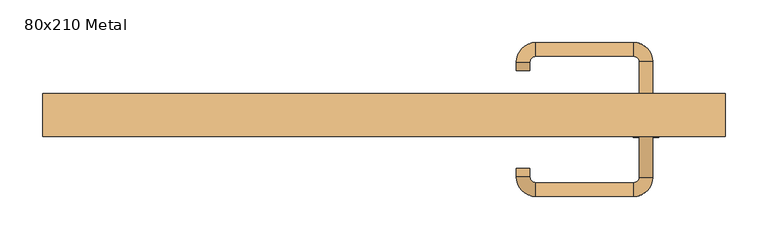
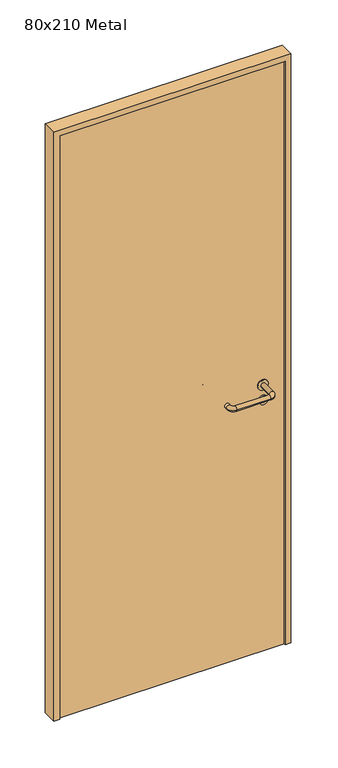
"""IFC4 building model written with IfcOpenShell, lengths in millimetres: door geometry, 80x210 Metal."""

from ifc_helpers import new_model, si_unit, point, frame, frame_2d, origin, origin_with_axes, place, context, project, spatial, polyline, circle_curve, ellipse_curve, trimmed, segment, composite_curve, outline, extrude, source, transform, mapped, element, save
from ifc_brep_helpers import plane_surface, cylinder_surface, revolved_surface, advanced_brep


def door_80x210_metal_3104e8d9(model_context):
    return source(origin(), model_context, "Body", "SolidModel", [
        extrude(outline(composite_curve([segment(trimmed(circle_curve(frame_2d((897.3605726, 307.0)), 15.0), [point((897.3605726, 322.0))], [point((897.3605726, 292.0))], False, "CARTESIAN"), True, "CONTINUOUS"), segment(trimmed(circle_curve(frame_2d((897.3605726, 307.0)), 15.0), [point((897.3605726, 292.0))], [point((897.3605726, 322.0))], False, "CARTESIAN"), True, "CONTINUOUS")], self_intersect=False), holes=[composite_curve([segment(trimmed(circle_curve(frame_2d((892.5833211, 306.9398032)), 2.0), [point((892.5833211, 308.9398032))], [point((892.5833211, 304.9398032))], True, "CARTESIAN"), True, "CONTINUOUS"), segment(polyline([(892.5833211, 304.9398032), (902.5833211, 304.9398032)]), True, "CONTINUOUS"), segment(trimmed(circle_curve(frame_2d((902.5833211, 306.9398032)), 2.0), [point((902.5833211, 304.9398032))], [point((902.5833211, 308.9398032))], True, "CARTESIAN"), True, "CONTINUOUS"), segment(polyline([(902.5833211, 308.9398032), (892.5833211, 308.9398032)]), True, "CONTINUOUS")], self_intersect=False)]), frame((0.0, -15.0, 0.0), z_axis=(0.0, 1.0, 0.0), x_axis=(0.0, 0.0, 1.0)), (0.0, 0.0, 1.0), 6.35),
        extrude(outline(composite_curve([segment(trimmed(circle_curve(frame_2d((950.0, 307.0)), 17.526), [point((950.0, 324.526))], [point((950.0, 289.474))], False, "CARTESIAN"), True, "CONTINUOUS"), segment(trimmed(circle_curve(frame_2d((950.0, 307.0)), 17.526), [point((950.0, 289.474))], [point((950.0, 324.526))], False, "CARTESIAN"), True, "CONTINUOUS")], self_intersect=False)), frame((0.0, -15.0, 0.0), z_axis=(0.0, 1.0, 0.0), x_axis=(0.0, 0.0, 1.0)), (0.0, 0.0, 1.0), 3.175),
        advanced_brep(
        [(315.0, -15.0, 950.0), (299.0, -15.0, 950.0), (315.0, 38.0, 950.0), (299.0, 38.0, 950.0), (292.8578644, 44.1421356, 950.0), (292.8578644, 60.1421356, 950.0), (177.8578644, 60.1421356, 950.0), (177.8578644, 44.1421356, 950.0), (171.008622, 37.2928932, 950.0), (155.008622, 37.2928932, 950.0), (155.008622, 27.2928932, 950.0), (171.008622, 27.2928932, 950.0)],
        [
            (0, 1, circle_curve(frame((307.0, -15.0, 950.0), z_axis=(0.0, -1.0, 0.0), x_axis=(-1.0, 0.0, 0.0)), 8.0)),
            (1, 0, circle_curve(frame((307.0, -15.0, 950.0), z_axis=(0.0, -1.0, 0.0), x_axis=(-1.0, 0.0, 0.0)), 8.0)),
            (0, 2),
            (2, 3, circle_curve(frame((307.0, 38.0, 950.0), z_axis=(0.0, -1.0, 0.0), x_axis=(-1.0, 0.0, 0.0)), 8.0)),
            (3, 1),
            (3, 2, circle_curve(frame((307.0, 38.0, 950.0), z_axis=(0.0, -1.0, 0.0), x_axis=(-1.0, 0.0, 0.0)), 8.0)),
            (4, 3, circle_curve(frame((292.8578644, 38.0, 950.0), z_axis=(0.0, 0.0, -1.0), x_axis=(1.0, 0.0, 0.0)), 6.1421356)),
            (2, 5, circle_curve(frame((292.8578644, 38.0, 950.0), z_axis=(0.0, 0.0, 1.0), x_axis=(1.0, 0.0, 0.0)), 22.1421356)),
            (5, 4, circle_curve(frame((292.8578644, 52.1421356, 950.0), z_axis=(1.0, 0.0, 0.0), x_axis=(0.0, -1.0, 0.0)), 8.0)),
            (4, 5, circle_curve(frame((292.8578644, 52.1421356, 950.0), z_axis=(1.0, 0.0, 0.0), x_axis=(0.0, -1.0, 0.0)), 8.0)),
            (5, 6),
            (6, 7, circle_curve(frame((177.8578644, 52.1421356, 950.0), z_axis=(1.0, 0.0, 0.0), x_axis=(0.0, -1.0, 0.0)), 8.0)),
            (7, 4),
            (7, 6, circle_curve(frame((177.8578644, 52.1421356, 950.0), z_axis=(1.0, 0.0, 0.0), x_axis=(0.0, -1.0, 0.0)), 8.0)),
            (8, 7, circle_curve(frame((177.8578644, 37.2928932, 950.0), z_axis=(0.0, 0.0, -1.0), x_axis=(0.0, 1.0, 0.0)), 6.8492424)),
            (6, 9, circle_curve(frame((177.8578644, 37.2928932, 950.0), z_axis=(0.0, 0.0, 1.0), x_axis=(0.0, 1.0, 0.0)), 22.8492424)),
            (9, 8, circle_curve(frame((163.008622, 37.2928932, 950.0), z_axis=(0.0, 1.0, 0.0), x_axis=(1.0, 0.0, 0.0)), 8.0)),
            (8, 9, circle_curve(frame((163.008622, 37.2928932, 950.0), z_axis=(0.0, 1.0, 0.0), x_axis=(1.0, 0.0, 0.0)), 8.0)),
            (10, 11, circle_curve(frame((163.008622, 27.2928932, 950.0), z_axis=(0.0, -1.0, 0.0), x_axis=(1.0, 0.0, 0.0)), 8.0)),
            (11, 10, circle_curve(frame((163.008622, 27.2928932, 950.0), z_axis=(0.0, -1.0, 0.0), x_axis=(1.0, 0.0, 0.0)), 8.0)),
            (9, 10),
            (11, 8),
        ],
        [
            plane_surface(frame((307.0, -15.0, 0.0), z_axis=(0.0, -1.0, 0.0), x_axis=(0.0, 0.0, 1.0))),
            cylinder_surface(frame((307.0, -15.0, 950.0), z_axis=(0.0, -1.0, 0.0), x_axis=(-1.0, 0.0, 0.0)), 8.0),
            revolved_surface(trimmed(ellipse_curve(frame((307.0, 38.0, 950.0), z_axis=(0.0, -1.0, 0.0), x_axis=(-1.0, 0.0, 0.0)), 8.0, 8.0), [point((315.0, 38.0, 950.0))], [point((299.0, 38.0, 950.0))], True, "CARTESIAN"), (292.8578644, 38.0, 0.0), (0.0, 0.0, 1.0)),
            revolved_surface(trimmed(ellipse_curve(frame((307.0, 38.0, 950.0), z_axis=(0.0, -1.0, 0.0), x_axis=(-1.0, 0.0, 0.0)), 8.0, 8.0), [point((299.0, 38.0, 950.0))], [point((315.0, 38.0, 950.0))], True, "CARTESIAN"), (292.8578644, 38.0, 0.0), (0.0, 0.0, 1.0)),
            cylinder_surface(frame((292.8578644, 52.1421356, 950.0), z_axis=(1.0, 0.0, 0.0), x_axis=(0.0, -1.0, 0.0)), 8.0),
            revolved_surface(trimmed(ellipse_curve(frame((177.8578644, 52.1421356, 950.0), z_axis=(1.0, 0.0, 0.0), x_axis=(0.0, -1.0, 0.0)), 8.0, 8.0), [point((177.8578644, 60.1421356, 950.0))], [point((177.8578644, 44.1421356, 950.0))], True, "CARTESIAN"), (177.8578644, 37.2928932, 0.0), (0.0, 0.0, 1.0)),
            revolved_surface(trimmed(ellipse_curve(frame((177.8578644, 52.1421356, 950.0), z_axis=(1.0, 0.0, 0.0), x_axis=(0.0, -1.0, 0.0)), 8.0, 8.0), [point((177.8578644, 44.1421356, 950.0))], [point((177.8578644, 60.1421356, 950.0))], True, "CARTESIAN"), (177.8578644, 37.2928932, 0.0), (0.0, 0.0, 1.0)),
            plane_surface(frame((163.008622, 27.2928932, 0.0), z_axis=(0.0, -1.0, 0.0), x_axis=(0.0, 0.0, 1.0))),
            cylinder_surface(frame((163.008622, 37.2928932, 950.0), z_axis=(0.0, 1.0, 0.0), x_axis=(1.0, 0.0, 0.0)), 8.0),
        ],
        [
            (0, [[1, 2]]),
            (1, [[-1, 3, 4, 5]]),
            (1, [[-2, -5, 6, -3]]),
            (2, [[7, -4, 8, 9]]),
            (3, [[-8, -6, -7, 10]]),
            (4, [[-9, 11, 12, 13]]),
            (4, [[-10, -13, 14, -11]]),
            (5, [[15, -12, 16, 17]]),
            (6, [[-16, -14, -15, 18]]),
            (7, [[19, 20]]),
            (8, [[-17, 21, -20, 22]]),
            (8, [[-18, -22, -19, -21]]),
        ],
    ),
        extrude(outline(composite_curve([segment(trimmed(circle_curve(frame_2d((0.0, 15.0)), 15.0), [point((0.0, 30.0))], [point((0.0, 0.0))], False, "CARTESIAN"), True, "CONTINUOUS"), segment(trimmed(circle_curve(frame_2d((0.0, 15.0)), 15.0), [point((0.0, 0.0))], [point((0.0, 30.0))], False, "CARTESIAN"), True, "CONTINUOUS")], self_intersect=False), holes=[composite_curve([segment(trimmed(circle_curve(frame_2d((-4.7772515, 14.9398032)), 2.0), [point((-4.7772515, 16.9398032))], [point((-4.7772515, 12.9398032))], True, "CARTESIAN"), True, "CONTINUOUS"), segment(polyline([(-4.7772515, 12.9398032), (5.2227485, 12.9398032)]), True, "CONTINUOUS"), segment(trimmed(circle_curve(frame_2d((5.2227485, 14.9398032)), 2.0), [point((5.2227485, 12.9398032))], [point((5.2227485, 16.9398032))], True, "CARTESIAN"), True, "CONTINUOUS"), segment(polyline([(5.2227485, 16.9398032), (-4.7772515, 16.9398032)]), True, "CONTINUOUS")], self_intersect=False)]), frame((292.0, -51.35, 897.3605726), z_axis=(-1.8870575173328306e-12, 1.0, 0.0), x_axis=(0.0, 0.0, 1.0)), (0.0, 0.0, 1.0), 6.35),
        extrude(outline(composite_curve([segment(trimmed(circle_curve(frame_2d((0.0, 17.526)), 17.526), [point((0.0, 35.052))], [point((0.0, 0.0))], False, "CARTESIAN"), True, "CONTINUOUS"), segment(trimmed(circle_curve(frame_2d((0.0, 17.526)), 17.526), [point((0.0, 0.0))], [point((0.0, 35.052))], False, "CARTESIAN"), True, "CONTINUOUS")], self_intersect=False)), frame((289.474, -48.175, 950.0), z_axis=(-1.8870575173328306e-12, 1.0, 0.0), x_axis=(0.0, 0.0, 1.0)), (0.0, 0.0, 1.0), 3.175),
        advanced_brep(
        [(315.0, -45.0, 950.0), (299.0, -45.0, 950.0), (299.0, -98.0, 950.0), (315.0, -98.0, 950.0), (292.8578644, -104.1421356, 950.0), (292.8578644, -120.1421356, 950.0), (177.8578644, -104.1421356, 950.0), (177.8578644, -120.1421356, 950.0), (171.008622, -97.2928932, 950.0), (155.008622, -97.2928932, 950.0), (155.008622, -87.2928932, 950.0), (171.008622, -87.2928932, 950.0)],
        [
            (0, 1, circle_curve(frame((307.0, -45.0, 950.0), z_axis=(-1.888672253512351e-12, 1.0, 0.0), x_axis=(-1.0, -1.888672253512351e-12, 0.0)), 8.0)),
            (1, 0, circle_curve(frame((307.0, -45.0, 950.0), z_axis=(-1.888672253512351e-12, 1.0, 0.0), x_axis=(-1.0, -1.888672253512351e-12, 0.0)), 8.0)),
            (1, 2),
            (2, 3, circle_curve(frame((307.0, -98.0, 950.0), z_axis=(-1.888672253512351e-12, 1.0, 0.0), x_axis=(-1.0, -1.888672253512351e-12, 0.0)), 8.0)),
            (3, 0),
            (3, 2, circle_curve(frame((307.0, -98.0, 950.0), z_axis=(-1.888672253512351e-12, 1.0, 0.0), x_axis=(-1.0, -1.888672253512351e-12, 0.0)), 8.0)),
            (4, 5, circle_curve(frame((292.8578644, -112.1421356, 950.0), z_axis=(1.0, 1.913702061528922e-12, 0.0), x_axis=(-1.913702061528922e-12, 1.0, 0.0)), 8.0)),
            (5, 3, circle_curve(frame((292.8578644, -98.0, 950.0), z_axis=(0.0, 0.0, 1.0), x_axis=(1.0, 1.880717803715015e-12, 0.0)), 22.1421356)),
            (2, 4, circle_curve(frame((292.8578644, -98.0, 950.0), z_axis=(0.0, 0.0, -1.0), x_axis=(1.0, 1.880717803715015e-12, 0.0)), 6.1421356)),
            (5, 4, circle_curve(frame((292.8578644, -112.1421356, 950.0), z_axis=(1.0, 1.913702061528922e-12, 0.0), x_axis=(-1.913702061528922e-12, 1.0, 0.0)), 8.0)),
            (4, 6),
            (6, 7, circle_curve(frame((177.8578644, -112.1421356, 950.0), z_axis=(1.0, 1.913719828541269e-12, 0.0), x_axis=(-1.913719828541269e-12, 1.0, 0.0)), 8.0)),
            (7, 5),
            (7, 6, circle_curve(frame((177.8578644, -112.1421356, 950.0), z_axis=(1.0, 1.913719828541269e-12, 0.0), x_axis=(-1.913719828541269e-12, 1.0, 0.0)), 8.0)),
            (8, 9, circle_curve(frame((163.008622, -97.2928932, 950.0), z_axis=(1.8888942981172756e-12, -1.0, 0.0), x_axis=(1.0, 1.8888942981172756e-12, 0.0)), 8.0)),
            (9, 7, circle_curve(frame((177.8578644, -97.2928932, 950.0), z_axis=(0.0, 0.0, 1.0), x_axis=(1.9120873253494017e-12, -1.0, 0.0)), 22.8492424)),
            (6, 8, circle_curve(frame((177.8578644, -97.2928932, 950.0), z_axis=(0.0, 0.0, -1.0), x_axis=(1.9120873253494017e-12, -1.0, 0.0)), 6.8492424)),
            (9, 8, circle_curve(frame((163.008622, -97.2928932, 950.0), z_axis=(1.890448610351751e-12, -1.0, 0.0), x_axis=(1.0, 1.890448610351751e-12, 0.0)), 8.0)),
            (10, 11, circle_curve(frame((163.008622, -87.2928932, 950.0), z_axis=(-1.8903642334018795e-12, 1.0, 0.0), x_axis=(1.0, 1.8903642334018795e-12, 0.0)), 8.0)),
            (11, 10, circle_curve(frame((163.008622, -87.2928932, 950.0), z_axis=(-1.8903642334018795e-12, 1.0, 0.0), x_axis=(1.0, 1.8903642334018795e-12, 0.0)), 8.0)),
            (8, 11),
            (10, 9),
        ],
        [
            plane_surface(frame((307.0, -45.0, 0.0), z_axis=(-1.8870575173328306e-12, 1.0, 0.0), x_axis=(0.0, 0.0, 1.0))),
            cylinder_surface(frame((307.0, -45.0, 950.0), z_axis=(-1.888672253512351e-12, 1.0, 0.0), x_axis=(-1.0, -1.888672253512351e-12, 0.0)), 8.0),
            revolved_surface(trimmed(ellipse_curve(frame((307.0, -98.0, 950.0), z_axis=(1.8823325398945356e-12, -1.0, 0.0), x_axis=(-1.0, -1.8823325398945356e-12, 0.0)), 8.0, 8.0), [point((315.0, -98.0, 950.0))], [point((299.0, -98.0, 950.0))], True, "CARTESIAN"), (292.8578644, -98.0, 0.0), (0.0, 0.0, 1.0)),
            revolved_surface(trimmed(ellipse_curve(frame((307.0, -98.0, 950.0), z_axis=(1.8823325398945356e-12, -1.0, 0.0), x_axis=(-1.0, -1.8823325398945356e-12, 0.0)), 8.0, 8.0), [point((299.0, -98.0, 950.0))], [point((315.0, -98.0, 950.0))], True, "CARTESIAN"), (292.8578644, -98.0, 0.0), (0.0, 0.0, 1.0)),
            cylinder_surface(frame((292.8578644, -112.1421356, 950.0), z_axis=(1.0, 1.913719828541269e-12, 0.0), x_axis=(-1.913719828541269e-12, 1.0, 0.0)), 8.0),
            revolved_surface(trimmed(ellipse_curve(frame((177.8578644, -112.1421356, 950.0), z_axis=(-1.0, -1.913702061528922e-12, 0.0), x_axis=(-1.913702061528922e-12, 1.0, 0.0)), 8.0, 8.0), [point((177.8578644, -120.1421356, 950.0))], [point((177.8578644, -104.1421356, 950.0))], True, "CARTESIAN"), (177.8578644, -97.2928932, 0.0), (0.0, 0.0, 1.0)),
            revolved_surface(trimmed(ellipse_curve(frame((177.8578644, -112.1421356, 950.0), z_axis=(-1.0, -1.913702061528922e-12, 0.0), x_axis=(-1.913702061528922e-12, 1.0, 0.0)), 8.0, 8.0), [point((177.8578644, -104.1421356, 950.0))], [point((177.8578644, -120.1421356, 950.0))], True, "CARTESIAN"), (177.8578644, -97.2928932, 0.0), (0.0, 0.0, 1.0)),
            plane_surface(frame((163.008622, -87.2928932, 0.0), z_axis=(-1.8887494972223595e-12, 1.0, 0.0), x_axis=(0.0, 0.0, 1.0))),
            cylinder_surface(frame((163.008622, -97.2928932, 950.0), z_axis=(1.8903642334018795e-12, -1.0, 0.0), x_axis=(1.0, 1.8903642334018795e-12, 0.0)), 8.0),
        ],
        [
            (0, [[1, 2]]),
            (1, [[3, 4, 5, -2]]),
            (1, [[-5, 6, -3, -1]]),
            (2, [[7, 8, -4, 9]]),
            (3, [[10, -9, -6, -8]]),
            (4, [[11, 12, 13, -7]]),
            (4, [[-13, 14, -11, -10]]),
            (5, [[15, 16, -12, 17]]),
            (6, [[18, -17, -14, -16]]),
            (7, [[19, 20]]),
            (8, [[21, -19, 22, -15]]),
            (8, [[-22, -20, -21, -18]]),
        ],
    ),
        extrude(outline(polyline([(2080.0, 380.0), (0.0, 380.0), (0.0, 400.0), (2100.0, 400.0), (2100.0, -400.0), (0.0, -400.0), (0.0, -380.0), (2080.0, -380.0), (2080.0, 380.0)])), frame((0.0, -50.0, 0.0), z_axis=(0.0, 1.0, 0.0), x_axis=(0.0, 0.0, 1.0)), (0.0, 0.0, 1.0), 50.0),
        extrude(outline(polyline([(-380.0, -45.0), (-380.0, -15.0), (380.0, -15.0), (380.0, -45.0), (-380.0, -45.0)])), origin_with_axes(), (0.0, 0.0, 1.0), 2080.0),
    ])


if __name__ == "__main__":
    model = new_model("IFC4")
    model_context = context("Model", 3, world=origin())
    ifc_project = project(units=[si_unit("LENGTHUNIT", "METRE", prefix="MILLI")], contexts=[model_context])
    site = spatial("IfcSite", under=ifc_project)
    building = spatial("IfcBuilding", under=site)
    placement = place(None, origin())
    door_80x210_metal_shape = door_80x210_metal_3104e8d9(model_context)
    element("IfcDoor", 1, ObjectType="80x210 Metal", at=placement, inside=building, context=model_context, shape_type="MappedRepresentation", body=[
        mapped(door_80x210_metal_shape, transform((0.0, 0.0, 0.0), x_axis=(1.0, 0.0, 0.0), y_axis=(0.0, 1.0, 0.0), z_axis=(0.0, 0.0, 1.0))),
    ])
    save(model, "model.ifc")
